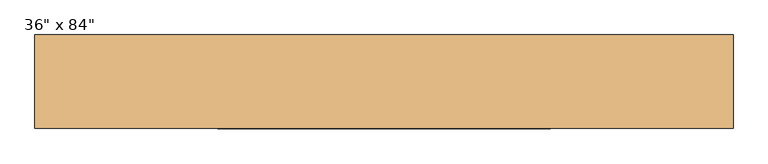
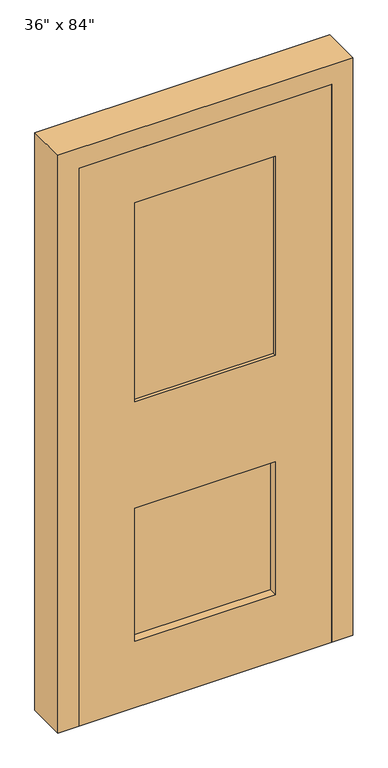
"""IFC4 building model written with IfcOpenShell, lengths in millimetres: door geometry."""

from ifc_helpers import new_model, si_unit, frame, origin, place, context, project, spatial, polyline, outline, extrude, source, transform, mapped, element, save


def door_22905da1(model_context):
    return source(origin(), model_context, "Body", "SweptSolid", [
        extrude(outline(polyline([(2209.8, -533.4), (0.0, -533.4), (0.0, -457.2), (2133.6, -457.2), (2133.6, 457.2), (0.0, 457.2), (0.0, 533.4), (2209.8, 533.4), (2209.8, -533.4)])), frame((0.0, -71.4375, 0.0), z_axis=(0.0, 1.0, 0.0), x_axis=(0.0, 0.0, 1.0)), (0.0, 0.0, 1.0), 142.875),
        extrude(outline(polyline([(-304.8, 55.5625), (-304.8, 30.1625), (-330.2, 30.1625), (-330.2, 55.5625), (-304.8, 55.5625)])), frame((0.0, 0.0, 889.0), z_axis=(0.0, 0.0, 1.0), x_axis=(1.0, 0.0, 0.0)), (0.0, 0.0, 1.0), 203.2),
        extrude(outline(polyline([(-304.8, 30.1625), (-304.8, -20.6375), (-330.2, -20.6375), (-330.2, 30.1625), (-304.8, 30.1625)])), frame((0.0, 0.0, 1066.8), z_axis=(0.0, 0.0, 1.0), x_axis=(1.0, 0.0, 0.0)), (0.0, 0.0, 1.0), 25.4),
        extrude(outline(polyline([(-304.8, 30.1625), (-304.8, -20.6375), (-330.2, -20.6375), (-330.2, 30.1625), (-304.8, 30.1625)])), frame((0.0, 0.0, 889.0), z_axis=(0.0, 0.0, 1.0), x_axis=(1.0, 0.0, 0.0)), (0.0, 0.0, 1.0), 25.4),
        extrude(outline(polyline([(-304.8, 30.1625), (-304.8, 4.7625), (-330.2, 4.7625), (-330.2, 30.1625), (-304.8, 30.1625)])), frame((0.0, 0.0, 889.0), z_axis=(0.0, 0.0, 1.0), x_axis=(1.0, 0.0, 0.0)), (0.0, 0.0, 1.0), 203.2),
        extrude(outline(polyline([(-304.8, 4.7625), (-304.8, -46.0375), (-330.2, -46.0375), (-330.2, 4.7625), (-304.8, 4.7625)])), frame((0.0, 0.0, 1066.8), z_axis=(0.0, 0.0, 1.0), x_axis=(1.0, 0.0, 0.0)), (0.0, 0.0, 1.0), 25.4),
        extrude(outline(polyline([(-304.8, 4.7625), (-304.8, -46.0375), (-330.2, -46.0375), (-330.2, 4.7625), (-304.8, 4.7625)])), frame((0.0, 0.0, 889.0), z_axis=(0.0, 0.0, 1.0), x_axis=(1.0, 0.0, 0.0)), (0.0, 0.0, 1.0), 25.4),
        extrude(outline(polyline([(254.0, -33.3375), (254.0, -39.6875), (-254.0, -39.6875), (-254.0, -33.3375), (254.0, -33.3375)])), frame((0.0, 0.0, 254.0), z_axis=(0.0, 0.0, 1.0), x_axis=(1.0, 0.0, 0.0)), (0.0, 0.0, 1.0), 508.0),
        extrude(outline(polyline([(254.0, -33.3375), (254.0, -39.6875), (-254.0, -39.6875), (-254.0, -33.3375), (254.0, -33.3375)])), frame((0.0, 0.0, 1168.4), z_axis=(0.0, 0.0, 1.0), x_axis=(1.0, 0.0, 0.0)), (0.0, 0.0, 1.0), 762.0),
        extrude(outline(polyline([(254.0, -52.3875), (254.0, -58.7375), (-254.0, -58.7375), (-254.0, -52.3875), (254.0, -52.3875)])), frame((0.0, 0.0, 1168.4), z_axis=(0.0, 0.0, 1.0), x_axis=(1.0, 0.0, 0.0)), (0.0, 0.0, 1.0), 762.0),
        extrude(outline(polyline([(2133.6, -457.2), (0.0, -457.2), (0.0, 457.2), (2133.6, 457.2), (2133.6, -457.2)]), holes=[polyline([(1930.4, -254.0), (1930.4, 254.0), (1168.4, 254.0), (1168.4, -254.0), (1930.4, -254.0)]), polyline([(762.0, -254.0), (762.0, 254.0), (254.0, 254.0), (254.0, -254.0), (762.0, -254.0)])]), frame((0.0, -71.4375, 0.0), z_axis=(0.0, 1.0, 0.0), x_axis=(0.0, 0.0, 1.0)), (0.0, 0.0, 1.0), 50.8),
    ])


if __name__ == "__main__":
    model = new_model("IFC4")
    model_context = context("Model", 3, world=origin())
    ifc_project = project(units=[si_unit("LENGTHUNIT", "METRE", prefix="MILLI")], contexts=[model_context])
    site = spatial("IfcSite", under=ifc_project)
    building = spatial("IfcBuilding", under=site)
    placement = place(None, origin())
    door_shape = door_22905da1(model_context)
    element("IfcDoor", 1, ObjectType="36\" x 84\"", at=placement, inside=building, context=model_context, shape_type="MappedRepresentation", body=[
        mapped(door_shape, transform((0.0, 0.0, 0.0), x_axis=(1.0, 0.0, 0.0), y_axis=(0.0, 1.0, 0.0), z_axis=(0.0, 0.0, 1.0))),
    ])
    save(model, "model.ifc")
